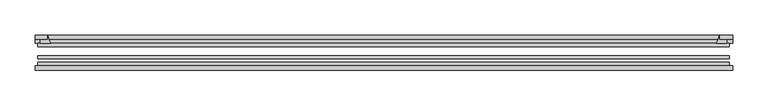
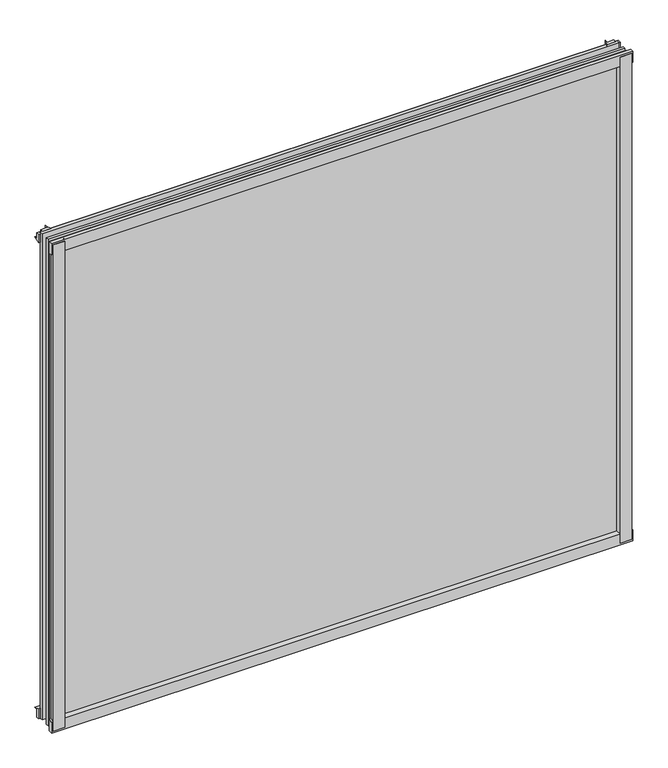
"""IFC4 building model written with IfcOpenShell, lengths in millimetres: plate geometry."""

from ifc_helpers import new_model, si_unit, point, frame, frame_2d, origin, place, context, project, spatial, polyline, circle_curve, trimmed, segment, composite_curve, outline, extrude, source, transform, mapped, element, save


def plate_c589020f(model_context):
    return source(origin(), model_context, "Body", "SweptSolid", [
        extrude(outline(composite_curve([segment(polyline([(-488.1419625, -78.7828625), (-466.7207612, -78.7828625)]), True, "CONTINUOUS"), segment(trimmed(circle_curve(frame_2d((-459.0835956, -84.652782)), 9.6323545), [point((-466.7207612, -78.7828625))], [point((-468.703979, -85.1328625))], True, "CARTESIAN"), True, "CONTINUOUS"), segment(polyline([(-468.703979, -85.1328625), (-488.1419625, -85.1328625), (-488.1419625, -78.7828625)]), True, "CONTINUOUS")], self_intersect=False)), frame((0.0, 0.0, -14.2875), z_axis=(0.0, 0.0, 1.0), x_axis=(1.0, 0.0, 0.0)), (0.0, 0.0, 1.0), 869.95),
        extrude(outline(composite_curve([segment(polyline([(490.723869, -78.7828625), (490.723869, -85.1328625), (471.243979, -85.1328625)]), True, "CONTINUOUS"), segment(trimmed(circle_curve(frame_2d((461.6235956, -84.652782)), 9.6323545), [point((471.243979, -85.1328625))], [point((469.2607612, -78.7828625))], True, "CARTESIAN"), True, "CONTINUOUS"), segment(polyline([(469.2607612, -78.7828625), (490.723869, -78.7828625)]), True, "CONTINUOUS")], self_intersect=False)), frame((0.0, 0.0, -14.2875), z_axis=(0.0, 0.0, 1.0), x_axis=(1.0, 0.0, 0.0)), (0.0, 0.0, 1.0), 869.95),
        extrude(outline(composite_curve([segment(polyline([(-47.1852625, -14.2875), (-47.1852625, 3.9588469)]), True, "CONTINUOUS"), segment(trimmed(circle_curve(frame_2d((-30.6824422, 32.267054)), 32.7673262), [point((-47.1852625, 3.9588469))], [point((-36.3503395, -0.00635))], True, "CARTESIAN"), True, "CONTINUOUS"), segment(polyline([(-36.3503395, -0.00635), (-42.2830625, -0.00635), (-42.2830625, -14.2875), (-47.1852625, -14.2875)]), True, "CONTINUOUS")], self_intersect=False)), frame((-491.3169625, 0.0, 0.0), z_axis=(1.0, 0.0, 0.0), x_axis=(0.0, 1.0, 0.0)), (0.0, 0.0, 1.0), 984.0229875),
        extrude(outline(composite_curve([segment(polyline([(-78.7828625, -16.8821065), (-85.1328625, -16.8821065), (-85.1328625, 2.5977835)]), True, "CONTINUOUS"), segment(trimmed(circle_curve(frame_2d((-84.652782, 12.2181669)), 9.6323545), [point((-85.1328625, 2.5977835))], [point((-78.7828625, 4.5810013))], True, "CARTESIAN"), True, "CONTINUOUS"), segment(polyline([(-78.7828625, 4.5810013), (-78.7828625, -16.8821065)]), True, "CONTINUOUS")], self_intersect=False)), frame((-491.3169625, 0.0, 0.0), z_axis=(1.0, 0.0, 0.0), x_axis=(0.0, 1.0, 0.0)), (0.0, 0.0, 1.0), 984.0229875),
        extrude(outline(composite_curve([segment(polyline([(-47.1852625, 837.4034531), (-47.1852625, 852.0752564), (-42.2830625, 852.0752564), (-42.2830625, 841.375), (-36.3140625, 841.375)]), True, "CONTINUOUS"), segment(trimmed(circle_curve(frame_2d((-30.6824422, 809.095246)), 32.7673262), [point((-36.3140625, 841.375))], [point((-47.1852625, 837.4034531))], True, "CARTESIAN"), True, "CONTINUOUS")], self_intersect=False)), frame((-491.3169625, 0.0, 0.0), z_axis=(1.0, 0.0, 0.0), x_axis=(0.0, 1.0, 0.0)), (0.0, 0.0, 1.0), 984.0229875),
        extrude(outline(composite_curve([segment(polyline([(-78.7828625, 858.2444065), (-78.7828625, 836.7812987)]), True, "CONTINUOUS"), segment(trimmed(circle_curve(frame_2d((-84.652782, 829.1441331)), 9.6323545), [point((-78.7828625, 836.7812987))], [point((-85.1328625, 838.7645165))], True, "CARTESIAN"), True, "CONTINUOUS"), segment(polyline([(-85.1328625, 838.7645165), (-85.1328625, 858.2444065), (-78.7828625, 858.2444065)]), True, "CONTINUOUS")], self_intersect=False)), frame((-491.3169625, 0.0, 0.0), z_axis=(1.0, 0.0, 0.0), x_axis=(0.0, 1.0, 0.0)), (0.0, 0.0, 1.0), 984.0229875),
        extrude(outline(composite_curve([segment(trimmed(circle_curve(frame_2d((441.5747085, -30.6824422)), 32.7673262), [point((469.8829156, -47.1852625))], [point((473.8544625, -36.3140625))], True, "CARTESIAN"), True, "CONTINUOUS"), segment(polyline([(473.8544625, -36.3140625), (473.8544625, -42.2830625), (484.5548278, -42.2830625), (484.5548278, -47.1852625), (469.8829156, -47.1852625)]), True, "CONTINUOUS")], self_intersect=False)), frame((0.0, 0.0, -14.2875), z_axis=(0.0, 0.0, 1.0), x_axis=(1.0, 0.0, 0.0)), (0.0, 0.0, 1.0), 869.95),
        extrude(outline(composite_curve([segment(polyline([(-469.8829156, -47.1852625), (-484.5496717, -47.1852625), (-484.5496717, -42.2830625), (-473.8544625, -42.2830625), (-473.8544625, -36.3140625)]), True, "CONTINUOUS"), segment(trimmed(circle_curve(frame_2d((-441.5747085, -30.6824422)), 32.7673262), [point((-473.8544625, -36.3140625))], [point((-469.8829156, -47.1852625))], True, "CARTESIAN"), True, "CONTINUOUS")], self_intersect=False)), frame((0.0, 0.0, -14.2875), z_axis=(0.0, 0.0, 1.0), x_axis=(1.0, 0.0, 0.0)), (0.0, 0.0, 1.0), 869.95),
        extrude(outline(polyline([(488.1419625, -64.6604625), (488.1419625, -69.4356625), (-488.1419625, -69.4356625), (-488.1419625, -64.6604625), (488.1419625, -64.6604625)])), frame((0.0, 0.0, -14.2875), z_axis=(0.0, 0.0, 1.0), x_axis=(1.0, 0.0, 0.0)), (0.0, 0.0, 1.0), 869.95),
        extrude(outline(polyline([(-488.1419625, -78.7828625), (-488.1419625, -74.0076625), (488.1419625, -74.0076625), (488.1419625, -78.7828625), (-488.1419625, -78.7828625)])), frame((0.0, 0.0, -14.2875), z_axis=(0.0, 0.0, 1.0), x_axis=(1.0, 0.0, 0.0)), (0.0, 0.0, 1.0), 869.95),
        extrude(outline(polyline([(-488.1419625, -47.1852625), (488.1419625, -47.1852625), (488.1419625, -51.9604625), (-488.1419625, -51.9604625), (-488.1419625, -47.1852625)])), frame((0.0, 0.0, -14.2875), z_axis=(0.0, 0.0, 1.0), x_axis=(1.0, 0.0, 0.0)), (0.0, 0.0, 1.0), 869.95),
    ])


if __name__ == "__main__":
    model = new_model("IFC4")
    model_context = context("Model", 3, world=origin())
    ifc_project = project(units=[si_unit("LENGTHUNIT", "METRE", prefix="MILLI")], contexts=[model_context])
    site = spatial("IfcSite", under=ifc_project)
    building = spatial("IfcBuilding", under=site)
    placement = place(None, origin())
    plate_shape = plate_c589020f(model_context)
    element("IfcPlate", 1, at=placement, inside=building, context=model_context, shape_type="MappedRepresentation", body=[
        mapped(plate_shape, transform((0.0, 0.0, 0.0), x_axis=(1.0, 0.0, 0.0), y_axis=(0.0, 1.0, 0.0), z_axis=(0.0, 0.0, 1.0))),
    ])
    save(model, "model.ifc")
